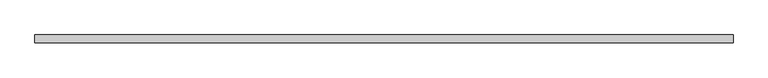
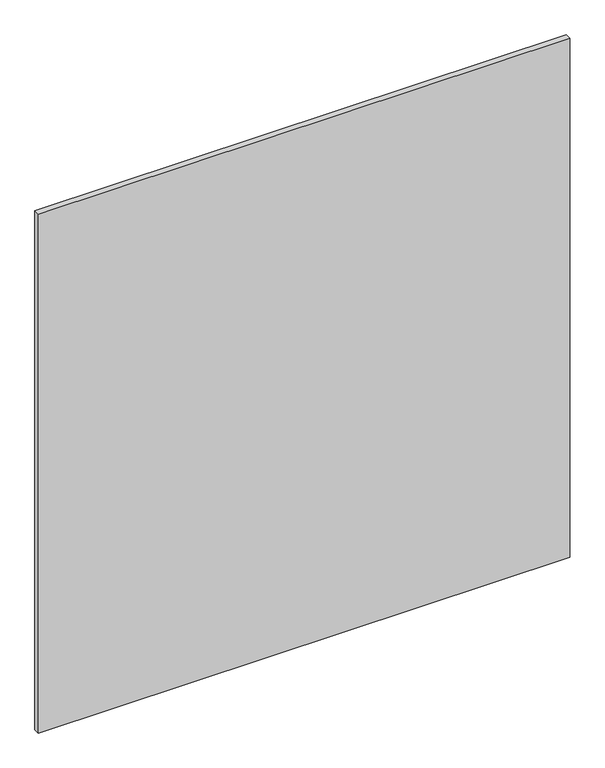
"""IFC4 building model written with IfcOpenShell, lengths in millimetres: plate geometry."""

from ifc_helpers import new_model, si_unit, origin, origin_with_axes, place, context, project, spatial, polyline, outline, extrude, source, transform, mapped, element, save


def plate_74777005(model_context):
    return source(origin(), model_context, "Body", "SweptSolid", [
        extrude(outline(polyline([(625.0, -64.0), (-625.0, -64.0), (-625.0, -50.0), (625.0, -50.0), (625.0, -64.0)])), origin_with_axes(), (0.0, 0.0, 1.0), 1290.0),
    ])


if __name__ == "__main__":
    model = new_model("IFC4")
    model_context = context("Model", 3, world=origin())
    ifc_project = project(units=[si_unit("LENGTHUNIT", "METRE", prefix="MILLI")], contexts=[model_context])
    site = spatial("IfcSite", under=ifc_project)
    building = spatial("IfcBuilding", under=site)
    placement = place(None, origin())
    plate_shape = plate_74777005(model_context)
    element("IfcPlate", 1, at=placement, inside=building, context=model_context, shape_type="MappedRepresentation", body=[
        mapped(plate_shape, transform((0.0, 0.0, 0.0), x_axis=(1.0, 0.0, 0.0), y_axis=(0.0, 1.0, 0.0), z_axis=(0.0, 0.0, 1.0))),
    ])
    save(model, "model.ifc")
